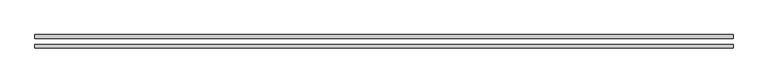
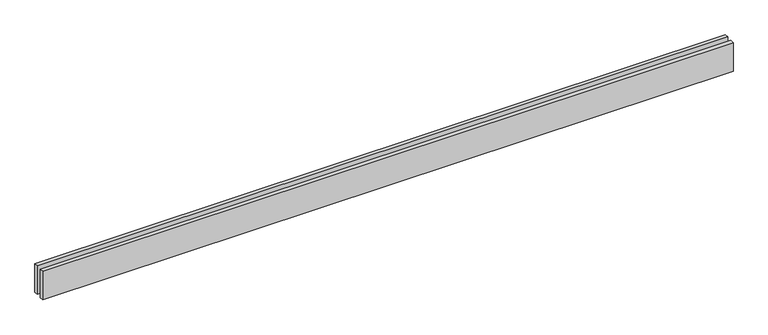
"""IFC4 building model written with IfcOpenShell, lengths in millimetres: proxy geometry."""

from ifc_helpers import new_model, si_unit, origin, origin_with_axes, place, context, project, spatial, polyline, outline, extrude, source, transform, mapped, element, save


def generic_models_0884fab3(model_context):
    return source(origin(), model_context, "Body", "SweptSolid", [
        extrude(outline(polyline([(5713.422792, 25.0), (0.0, 25.0), (0.0, 55.0), (5713.422792, 55.0), (5713.422792, 25.0)])), origin_with_axes(), (0.0, 0.0, 1.0), 250.0),
        extrude(outline(polyline([(5713.422792, -55.0), (0.0, -55.0), (0.0, -25.0), (5713.422792, -25.0), (5713.422792, -55.0)])), origin_with_axes(), (0.0, 0.0, 1.0), 250.0),
    ])


if __name__ == "__main__":
    model = new_model("IFC4")
    model_context = context("Model", 3, world=origin())
    ifc_project = project(units=[si_unit("LENGTHUNIT", "METRE", prefix="MILLI")], contexts=[model_context])
    site = spatial("IfcSite", under=ifc_project)
    building = spatial("IfcBuilding", under=site)
    placement = place(None, origin())
    generic_models_shape = generic_models_0884fab3(model_context)
    element("IfcBuildingElementProxy", 1, Name="Generic Models", at=placement, inside=building, context=model_context, shape_type="MappedRepresentation", body=[
        mapped(generic_models_shape, transform((0.0, 0.0, 0.0), x_axis=(1.0, 0.0, 0.0), y_axis=(0.0, 1.0, 0.0), z_axis=(0.0, 0.0, 1.0))),
    ])
    save(model, "model.ifc")
